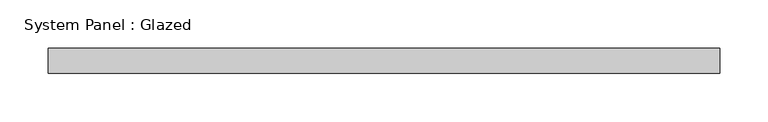
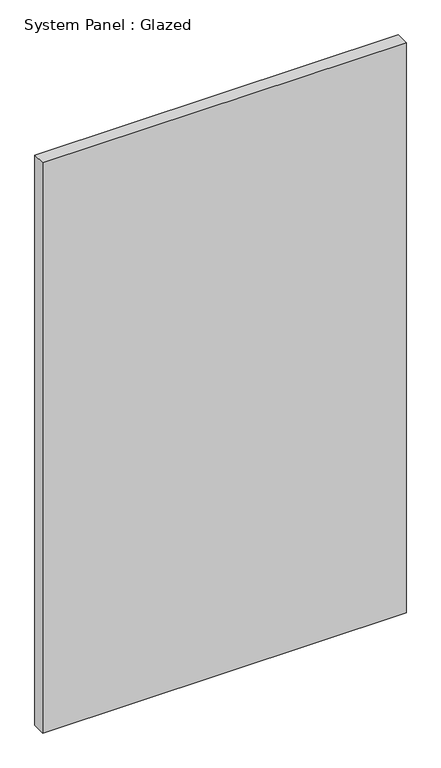
"""IFC4 building model written with IfcOpenShell, lengths in millimetres: plate geometry, System Panel : Glazed."""

from ifc_helpers import new_model, si_unit, origin, origin_with_axes, place, context, project, spatial, polyline, outline, extrude, source, transform, mapped, element, save


def system_panel_glazed_134043a9(model_context):
    return source(origin(), model_context, "Body", "SweptSolid", [
        extrude(outline(polyline([(346.4568298, -12.7), (-346.4568298, -12.7), (-346.4568298, 12.7), (346.4568298, 12.7), (346.4568298, -12.7)])), origin_with_axes(), (0.0, 0.0, 1.0), 1149.35),
    ])


if __name__ == "__main__":
    model = new_model("IFC4")
    model_context = context("Model", 3, world=origin())
    ifc_project = project(units=[si_unit("LENGTHUNIT", "METRE", prefix="MILLI")], contexts=[model_context])
    site = spatial("IfcSite", under=ifc_project)
    building = spatial("IfcBuilding", under=site)
    placement = place(None, origin())
    system_panel_glazed_shape = system_panel_glazed_134043a9(model_context)
    element("IfcPlate", 1, ObjectType="System Panel : Glazed", at=placement, inside=building, context=model_context, shape_type="MappedRepresentation", body=[
        mapped(system_panel_glazed_shape, transform((0.0, 0.0, 0.0), x_axis=(1.0, 0.0, 0.0), y_axis=(0.0, 1.0, 0.0), z_axis=(0.0, 0.0, 1.0))),
    ])
    save(model, "model.ifc")
